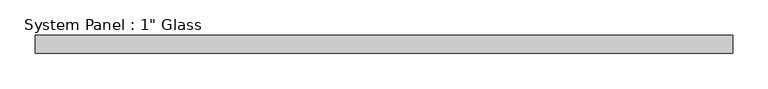
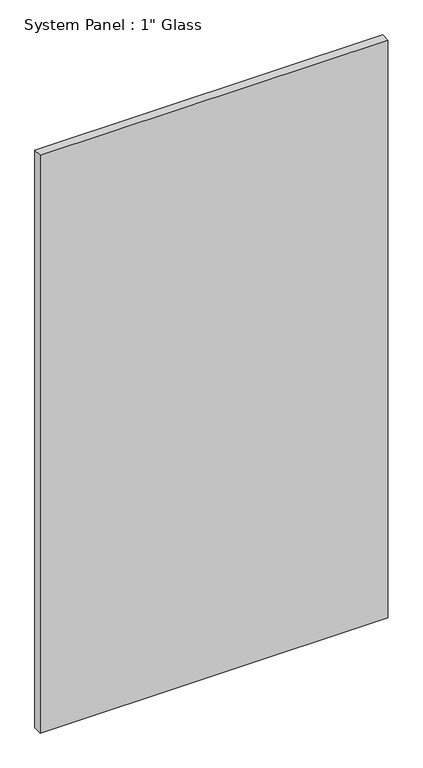
"""IFC4 building model written with IfcOpenShell, lengths in millimetres: plate geometry."""

from ifc_helpers import new_model, si_unit, origin, origin_with_axes, place, context, project, spatial, polyline, outline, extrude, source, transform, mapped, element, save


def plate_8f8ccb20(model_context):
    return source(origin(), model_context, "Body", "SweptSolid", [
        extrude(outline(polyline([(495.3, -12.7), (-495.3, -12.7), (-495.3, 12.7), (495.3, 12.7), (495.3, -12.7)])), origin_with_axes(), (0.0, 0.0, 1.0), 1739.9),
    ])


if __name__ == "__main__":
    model = new_model("IFC4")
    model_context = context("Model", 3, world=origin())
    ifc_project = project(units=[si_unit("LENGTHUNIT", "METRE", prefix="MILLI")], contexts=[model_context])
    site = spatial("IfcSite", under=ifc_project)
    building = spatial("IfcBuilding", under=site)
    placement = place(None, origin())
    plate_shape = plate_8f8ccb20(model_context)
    element("IfcPlate", 1, ObjectType="System Panel : 1\" Glass", at=placement, inside=building, context=model_context, shape_type="MappedRepresentation", body=[
        mapped(plate_shape, transform((0.0, 0.0, 0.0), x_axis=(1.0, 0.0, 0.0), y_axis=(0.0, 1.0, 0.0), z_axis=(0.0, 0.0, 1.0))),
    ])
    save(model, "model.ifc")
